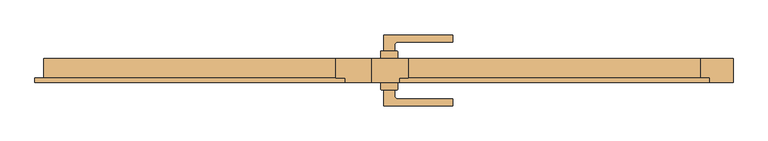
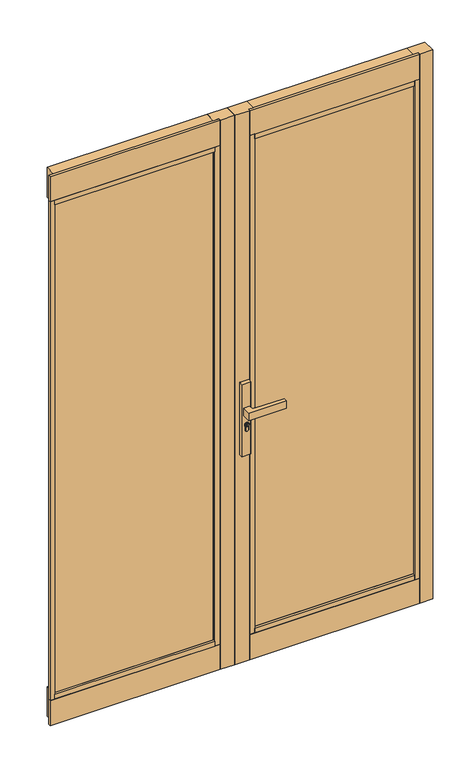
"""IFC4 building model written with IfcOpenShell, lengths in millimetres: door geometry."""

from ifc_helpers import new_model, si_unit, point, frame, frame_2d, origin, place, context, project, spatial, polyline, circle_curve, trimmed, segment, composite_curve, outline, extrude, faceted_brep, source, transform, mapped, element, save


def door_e0ba4964(model_context):
    return source(origin(), model_context, "Body", "SolidModel", [
        extrude(outline(composite_curve([segment(trimmed(circle_curve(frame_2d((945.687184, 35.7946715)), 5.9005564), [point((945.687184, 41.6952279))], [point((945.687184, 29.8941151))], False, "CARTESIAN"), True, "CONTINUOUS"), segment(trimmed(circle_curve(frame_2d((945.687184, 35.7946715)), 5.9005564), [point((945.687184, 29.8941151))], [point((945.687184, 41.6952279))], False, "CARTESIAN"), True, "CONTINUOUS")], self_intersect=False), holes=[polyline([(949.7292167, 34.7306001), (949.7292167, 36.7785396), (948.9292167, 36.7785396), (948.3483344, 35.7306001), (947.1634303, 35.7306001), (946.3431864, 36.550844), (944.6002002, 36.550844), (944.0258593, 35.7306001), (941.7685105, 35.7306001), (941.7685105, 34.7306001), (944.5464263, 34.7306001), (945.1207673, 35.550844), (945.9289729, 35.550844), (946.7492167, 34.7306001), (949.7292167, 34.7306001)])]), frame((0.0, 40.2500427, 0.0), z_axis=(0.0, 1.0, 0.0), x_axis=(0.0, 0.0, 1.0)), (0.0, 0.0, 1.0), 4.423715),
        extrude(outline(composite_curve([segment(trimmed(circle_curve(frame_2d((19.1461528, 39.0000422)), 1.0), [point((18.1461528, 39.0000422))], [point((19.1461528, 40.0000422))], False, "CARTESIAN"), True, "CONTINUOUS"), segment(polyline([(19.1461528, 40.0000422), (52.1461525, 40.0000422)]), True, "CONTINUOUS"), segment(trimmed(circle_curve(frame_2d((52.1461525, 39.0000422)), 1.0), [point((52.1461525, 40.0000422))], [point((53.1461525, 39.0000422))], False, "CARTESIAN"), True, "CONTINUOUS"), segment(polyline([(53.1461525, 39.0000422), (53.1461525, 25.0000426), (18.1461528, 25.0000426), (18.1461528, 39.0000422)]), True, "CONTINUOUS")], self_intersect=False)), frame((0.0, 0.0, 822.4734334), z_axis=(0.0, 0.0, 1.0), x_axis=(1.0, 0.0, 0.0)), (0.0, 0.0, 1.0), 287.6450734),
        extrude(outline(composite_curve([segment(polyline([(18.1461528, -38.9999671), (18.1461528, -24.9999674), (53.1461525, -24.9999674), (53.1461525, -38.9999671)]), True, "CONTINUOUS"), segment(trimmed(circle_curve(frame_2d((52.1461525, -38.9999671)), 1.0), [point((53.1461525, -38.9999671))], [point((52.1461525, -39.9999671))], False, "CARTESIAN"), True, "CONTINUOUS"), segment(polyline([(52.1461525, -39.9999671), (19.1461528, -39.9999671)]), True, "CONTINUOUS"), segment(trimmed(circle_curve(frame_2d((19.1461528, -38.9999671)), 1.0), [point((19.1461528, -39.9999671))], [point((18.1461528, -38.9999671))], False, "CARTESIAN"), True, "CONTINUOUS")], self_intersect=False)), frame((0.0, 0.0, 822.4734334), z_axis=(0.0, 0.0, 1.0), x_axis=(1.0, 0.0, 0.0)), (0.0, 0.0, 1.0), 287.6450734),
        extrude(outline(composite_curve([segment(trimmed(circle_curve(frame_2d((945.687184, 35.7946715)), 8.4005564), [point((939.648662, 41.6346715))], [point((939.2521745, 30.3946715))], False, "CARTESIAN"), True, "CONTINUOUS"), segment(polyline([(939.2521745, 30.3946715), (926.2077404, 30.3946715)]), True, "CONTINUOUS"), segment(trimmed(circle_curve(frame_2d((926.2077404, 36.0146715)), 5.62), [point((926.2077404, 30.3946715))], [point((926.2077404, 41.6346715))], False, "CARTESIAN"), True, "CONTINUOUS"), segment(polyline([(926.2077404, 41.6346715), (939.648662, 41.6346715)]), True, "CONTINUOUS")], self_intersect=False), holes=[composite_curve([segment(trimmed(circle_curve(frame_2d((945.687184, 35.7946715)), 6.4005564), [point((945.687184, 42.1952279))], [point((945.687184, 29.3941151))], True, "CARTESIAN"), True, "CONTINUOUS"), segment(trimmed(circle_curve(frame_2d((945.687184, 35.7946715)), 6.4005564), [point((945.687184, 29.3941151))], [point((945.687184, 42.1952279))], True, "CARTESIAN"), True, "CONTINUOUS")], self_intersect=False)]), frame((0.0, 40.2500427, 0.0), z_axis=(0.0, 1.0, 0.0), x_axis=(0.0, 0.0, 1.0)), (0.0, 0.0, 1.0), 3.0593403),
        extrude(outline(composite_curve([segment(trimmed(circle_curve(frame_2d((945.687184, 35.7946715)), 6.4005564), [point((945.687184, 29.3941151))], [point((945.687184, 42.1952279))], False, "CARTESIAN"), True, "CONTINUOUS"), segment(trimmed(circle_curve(frame_2d((945.687184, 35.7946715)), 6.4005564), [point((945.687184, 42.1952279))], [point((945.687184, 29.3941151))], False, "CARTESIAN"), True, "CONTINUOUS")], self_intersect=False), holes=[composite_curve([segment(trimmed(circle_curve(frame_2d((945.687184, 35.7946715)), 5.9005564), [point((945.687184, 29.8941151))], [point((945.687184, 41.6952279))], True, "CARTESIAN"), True, "CONTINUOUS"), segment(trimmed(circle_curve(frame_2d((945.687184, 35.7946715)), 5.9005564), [point((945.687184, 41.6952279))], [point((945.687184, 29.8941151))], True, "CARTESIAN"), True, "CONTINUOUS")], self_intersect=False)]), frame((0.0, 40.2500427, 0.0), z_axis=(0.0, 1.0, 0.0), x_axis=(0.0, 0.0, 1.0)), (0.0, 0.0, 1.0), 3.0593403),
        extrude(outline(composite_curve([segment(polyline([(939.1595834, 30.1946715), (926.2077404, 30.1946715)]), True, "CONTINUOUS"), segment(trimmed(circle_curve(frame_2d((926.2077404, 36.0146715)), 5.82), [point((926.2077404, 30.1946715))], [point((926.2077404, 41.8346715))], False, "CARTESIAN"), True, "CONTINUOUS"), segment(polyline([(926.2077404, 41.8346715), (939.564442, 41.8346715)]), True, "CONTINUOUS"), segment(trimmed(circle_curve(frame_2d((945.687184, 35.7946715)), 8.6005564), [point((939.564442, 41.8346715))], [point((939.1595834, 30.1946715))], False, "CARTESIAN"), True, "CONTINUOUS")], self_intersect=False), holes=[composite_curve([segment(polyline([(926.2077404, 30.3946715), (939.2521745, 30.3946715)]), True, "CONTINUOUS"), segment(trimmed(circle_curve(frame_2d((945.687184, 35.7946715)), 8.4005564), [point((939.2521745, 30.3946715))], [point((939.648662, 41.6346715))], True, "CARTESIAN"), True, "CONTINUOUS"), segment(polyline([(939.648662, 41.6346715), (926.2077404, 41.6346715)]), True, "CONTINUOUS"), segment(trimmed(circle_curve(frame_2d((926.2077404, 36.0146715)), 5.62), [point((926.2077404, 41.6346715))], [point((926.2077404, 30.3946715))], True, "CARTESIAN"), True, "CONTINUOUS")], self_intersect=False)]), frame((0.0, 40.2500427, 0.0), z_axis=(0.0, 1.0, 0.0), x_axis=(0.0, 0.0, 1.0)), (0.0, 0.0, 1.0), 3.0593403),
        extrude(outline(composite_curve([segment(trimmed(circle_curve(frame_2d((91.646153, -862.7499574)), 939.0), [point((24.6461526, 73.8566836))], [point((166.646158, 73.2500422))], False, "CARTESIAN"), True, "CONTINUOUS"), segment(polyline([(166.646158, 73.2500422), (166.646158, 59.2500412), (54.1506874, 59.2500412)]), True, "CONTINUOUS"), segment(trimmed(circle_curve(frame_2d((54.1461526, 51.7500426)), 7.5), [point((54.1506874, 59.2500412))], [point((46.6461526, 51.7500426))], True, "CARTESIAN"), True, "CONTINUOUS"), segment(polyline([(46.6461526, 51.7500426), (46.6461526, 40.2500427), (24.6461526, 40.2500427), (24.6461526, 73.8566836)]), True, "CONTINUOUS")], self_intersect=False)), frame((0.0, 0.0, 985.1796291), z_axis=(0.0, 0.0, 1.0), x_axis=(1.0, 0.0, 0.0)), (0.0, 0.0, 1.0), 29.6407418),
        extrude(outline(composite_curve([segment(trimmed(circle_curve(frame_2d((945.687184, 35.7946715)), 5.9005564), [point((945.687184, 41.6952279))], [point((945.687184, 29.8941151))], False, "CARTESIAN"), True, "CONTINUOUS"), segment(trimmed(circle_curve(frame_2d((945.687184, 35.7946715)), 5.9005564), [point((945.687184, 29.8941151))], [point((945.687184, 41.6952279))], False, "CARTESIAN"), True, "CONTINUOUS")], self_intersect=False), holes=[polyline([(949.7292167, 34.7306001), (949.7292167, 36.7785396), (948.9292167, 36.7785396), (948.3483344, 35.7306001), (947.1634303, 35.7306001), (946.3431864, 36.550844), (944.6002002, 36.550844), (944.0258593, 35.7306001), (941.7685105, 35.7306001), (941.7685105, 34.7306001), (944.5464263, 34.7306001), (945.1207673, 35.550844), (945.9289729, 35.550844), (946.7492167, 34.7306001), (949.7292167, 34.7306001)])]), frame((0.0, -44.6736826, 0.0), z_axis=(0.0, 1.0, 0.0), x_axis=(0.0, 0.0, 1.0)), (0.0, 0.0, 1.0), 4.423715),
        extrude(outline(composite_curve([segment(trimmed(circle_curve(frame_2d((945.687184, 35.7946715)), 8.4005564), [point((939.648662, 41.6346715))], [point((939.2521745, 30.3946715))], False, "CARTESIAN"), True, "CONTINUOUS"), segment(polyline([(939.2521745, 30.3946715), (926.2077404, 30.3946715)]), True, "CONTINUOUS"), segment(trimmed(circle_curve(frame_2d((926.2077404, 36.0146715)), 5.62), [point((926.2077404, 30.3946715))], [point((926.2077404, 41.6346715))], False, "CARTESIAN"), True, "CONTINUOUS"), segment(polyline([(926.2077404, 41.6346715), (939.648662, 41.6346715)]), True, "CONTINUOUS")], self_intersect=False), holes=[composite_curve([segment(trimmed(circle_curve(frame_2d((945.687184, 35.7946715)), 6.4005564), [point((945.687184, 42.1952279))], [point((945.687184, 29.3941151))], True, "CARTESIAN"), True, "CONTINUOUS"), segment(trimmed(circle_curve(frame_2d((945.687184, 35.7946715)), 6.4005564), [point((945.687184, 29.3941151))], [point((945.687184, 42.1952279))], True, "CARTESIAN"), True, "CONTINUOUS")], self_intersect=False)]), frame((0.0, -43.3093079, 0.0), z_axis=(0.0, 1.0, 0.0), x_axis=(0.0, 0.0, 1.0)), (0.0, 0.0, 1.0), 3.0593403),
        extrude(outline(composite_curve([segment(trimmed(circle_curve(frame_2d((945.687184, 35.7946715)), 6.4005564), [point((945.687184, 29.3941151))], [point((945.687184, 42.1952279))], False, "CARTESIAN"), True, "CONTINUOUS"), segment(trimmed(circle_curve(frame_2d((945.687184, 35.7946715)), 6.4005564), [point((945.687184, 42.1952279))], [point((945.687184, 29.3941151))], False, "CARTESIAN"), True, "CONTINUOUS")], self_intersect=False), holes=[composite_curve([segment(trimmed(circle_curve(frame_2d((945.687184, 35.7946715)), 5.9005564), [point((945.687184, 29.8941151))], [point((945.687184, 41.6952279))], True, "CARTESIAN"), True, "CONTINUOUS"), segment(trimmed(circle_curve(frame_2d((945.687184, 35.7946715)), 5.9005564), [point((945.687184, 41.6952279))], [point((945.687184, 29.8941151))], True, "CARTESIAN"), True, "CONTINUOUS")], self_intersect=False)]), frame((0.0, -43.3093079, 0.0), z_axis=(0.0, 1.0, 0.0), x_axis=(0.0, 0.0, 1.0)), (0.0, 0.0, 1.0), 3.0593403),
        extrude(outline(composite_curve([segment(polyline([(939.1595834, 30.1946715), (926.2077404, 30.1946715)]), True, "CONTINUOUS"), segment(trimmed(circle_curve(frame_2d((926.2077404, 36.0146715)), 5.82), [point((926.2077404, 30.1946715))], [point((926.2077404, 41.8346715))], False, "CARTESIAN"), True, "CONTINUOUS"), segment(polyline([(926.2077404, 41.8346715), (939.564442, 41.8346715)]), True, "CONTINUOUS"), segment(trimmed(circle_curve(frame_2d((945.687184, 35.7946715)), 8.6005564), [point((939.564442, 41.8346715))], [point((939.1595834, 30.1946715))], False, "CARTESIAN"), True, "CONTINUOUS")], self_intersect=False), holes=[composite_curve([segment(polyline([(926.2077404, 30.3946715), (939.2521745, 30.3946715)]), True, "CONTINUOUS"), segment(trimmed(circle_curve(frame_2d((945.687184, 35.7946715)), 8.4005564), [point((939.2521745, 30.3946715))], [point((939.648662, 41.6346715))], True, "CARTESIAN"), True, "CONTINUOUS"), segment(polyline([(939.648662, 41.6346715), (926.2077404, 41.6346715)]), True, "CONTINUOUS"), segment(trimmed(circle_curve(frame_2d((926.2077404, 36.0146715)), 5.62), [point((926.2077404, 41.6346715))], [point((926.2077404, 30.3946715))], True, "CARTESIAN"), True, "CONTINUOUS")], self_intersect=False)]), frame((0.0, -43.3093079, 0.0), z_axis=(0.0, 1.0, 0.0), x_axis=(0.0, 0.0, 1.0)), (0.0, 0.0, 1.0), 3.0593403),
        extrude(outline(composite_curve([segment(polyline([(24.6461526, -73.8566084), (24.6461526, -40.2499676), (46.6461526, -40.2499676), (46.6461526, -51.7499674)]), True, "CONTINUOUS"), segment(trimmed(circle_curve(frame_2d((54.1461526, -51.7499674)), 7.5), [point((46.6461526, -51.7499674))], [point((54.1506874, -59.2499661))], True, "CARTESIAN"), True, "CONTINUOUS"), segment(polyline([(54.1506874, -59.2499661), (166.646158, -59.2499661), (166.646158, -73.249967)]), True, "CONTINUOUS"), segment(trimmed(circle_curve(frame_2d((91.646153, 862.7500326)), 939.0), [point((166.646158, -73.249967))], [point((24.6461526, -73.8566084))], False, "CARTESIAN"), True, "CONTINUOUS")], self_intersect=False)), frame((0.0, 0.0, 985.1796291), z_axis=(0.0, 0.0, 1.0), x_axis=(1.0, 0.0, 0.0)), (0.0, 0.0, 1.0), 29.6407418),
        faceted_brep([(56.0654397, -16.0045752, 90.7821405), (56.0654397, -16.0045752, -9.2178595), (56.0654397, -24.9999674, -9.2178595), (56.0654397, -24.9999674, 90.7821405), (698.0000593, -16.0045752, 90.7821405), (698.0000593, -24.9999674, 90.7821405), (698.0000593, -24.9999674, -9.2178595), (698.0000593, -16.0045752, -9.2178595), (679.0000593, -16.0045752, -9.2178595), (679.0000593, -16.0045752, 90.7821405), (75.0, -16.0045752, 90.7821405), (75.0, -16.0045752, -9.2178595), (75.0, 25.0000426, 109.8321405), (75.0, 25.0000426, -9.2178595), (75.0, -16.0045752, 109.8321405), (679.0000593, 25.0000426, 109.8321405), (679.0000593, -16.0045752, 109.8321405), (679.0000593, 25.0000426, -9.2178595)], [[[0, 1, 2, 3]], [[4, 5, 6, 7]], [[7, 8, 9, 4]], [[0, 10, 11, 1]], [[3, 5, 4, 9, 10, 0]], [[2, 6, 5, 3]], [[12, 13, 11, 10, 14]], [[15, 16, 9, 8, 17]], [[12, 15, 17, 13]], [[14, 16, 15, 12]], [[14, 10, 9, 16]], [[13, 17, 8, 7, 6, 2, 1, 11]]]),
        extrude(outline(polyline([(0.0, 25.0000426), (75.0, 25.0000426), (75.0, -16.0045752), (56.0654397, -16.0045752), (56.0654397, -24.9999674), (0.0, -24.9999674), (0.0, 25.0000426)])), frame((0.0, 0.0, -9.2178595), z_axis=(0.0, 0.0, 1.0), x_axis=(1.0, 0.0, 0.0)), (0.0, 0.0, 1.0), 2191.307766),
        extrude(outline(polyline([(0.0, 25.0000326), (0.0, -24.9999674), (-55.0, -24.9999674), (-55.0, -16.0045752), (-75.000002, -16.0045752), (-75.000002, 25.0000326), (0.0, 25.0000326)])), frame((0.0, 0.0, -9.2178595), z_axis=(0.0, 0.0, 1.0), x_axis=(1.0, 0.0, 0.0)), (0.0, 0.0, 1.0), 2191.307766),
        extrude(outline(polyline([(-75.0, -16.0045752), (-678.8000837, -16.0045752), (-678.8000837, 4.9954248), (-75.0, 4.9954248), (-75.0, -16.0045752)])), frame((0.0, 0.0, 109.8321405), z_axis=(0.0, 0.0, 1.0), x_axis=(1.0, 0.0, 0.0)), (0.0, 0.0, 1.0), 1953.2077639),
        extrude(outline(polyline([(-55.0, -24.9999674), (-697.1752952, -24.9999674), (-697.1752952, -16.0045752), (-55.0, -16.0045752), (-55.0, -24.9999674)])), frame((0.0, 0.0, 2082.0399064), z_axis=(0.0, 0.0, 1.0), x_axis=(1.0, 0.0, 0.0)), (0.0, 0.0, 1.0), 100.05),
        extrude(outline(polyline([(-75.000002, -16.0045752), (-678.9042577, -16.0045752), (-678.9042577, 25.0000651), (-75.000002, 25.0000651), (-75.000002, -16.0045752)])), frame((0.0, 0.0, 2063.0399064), z_axis=(0.0, 0.0, 1.0), x_axis=(1.0, 0.0, 0.0)), (0.0, 0.0, 1.0), 119.05),
        extrude(outline(polyline([(-75.000002, -16.0045752), (-678.8000837, -16.0045752), (-678.8000837, 25.0000651), (-75.000002, 25.0000651), (-75.000002, -16.0045752)])), frame((0.0, 0.0, -9.2178595), z_axis=(0.0, 0.0, 1.0), x_axis=(1.0, 0.0, 0.0)), (0.0, 0.0, 1.0), 119.05),
        extrude(outline(polyline([(-75.000002, -24.9999674), (-678.8000837, -24.9999674), (-678.8000837, -16.0045752), (-75.000002, -16.0045752), (-75.000002, -24.9999674)])), frame((0.0, 0.0, 2063.0399064), z_axis=(0.0, 0.0, 1.0), x_axis=(1.0, 0.0, 0.0)), (0.0, 0.0, 1.0), 19.0),
        extrude(outline(polyline([(-75.000002, -24.9999674), (-678.8000837, -24.9999674), (-678.8000837, -16.0045752), (-75.000002, -16.0045752), (-75.000002, -24.9999674)])), frame((0.0, 0.0, 90.7821405), z_axis=(0.0, 0.0, 1.0), x_axis=(1.0, 0.0, 0.0)), (0.0, 0.0, 1.0), 19.05),
        extrude(outline(polyline([(-55.0, -24.9999674), (-697.1752952, -24.9999674), (-697.1752952, -16.0045752), (-55.0, -16.0045752), (-55.0, -24.9999674)])), frame((0.0, 0.0, -9.2178595), z_axis=(0.0, 0.0, 1.0), x_axis=(1.0, 0.0, 0.0)), (0.0, 0.0, 1.0), 100.0),
        extrude(outline(polyline([(-75.000002, -16.0045752), (-55.0, -16.0045752), (-55.0, -24.9999674), (-75.000002, -24.9999674), (-75.000002, -16.0045752)])), frame((0.0, 0.0, 90.7821405), z_axis=(0.0, 0.0, 1.0), x_axis=(1.0, 0.0, 0.0)), (0.0, 0.0, 1.0), 1991.257766),
        extrude(outline(polyline([(75.047959, -16.0045752), (75.047959, -24.9999674), (56.1133987, -24.9999674), (56.1133987, -16.0045752), (75.047959, -16.0045752)])), frame((0.0, 0.0, 90.7821405), z_axis=(0.0, 0.0, 1.0), x_axis=(1.0, 0.0, 0.0)), (0.0, 0.0, 1.0), 1991.257766),
        extrude(outline(polyline([(75.0, -16.0045752), (75.0, 4.9954248), (679.0000593, 4.9954248), (679.0000593, -16.0045752), (75.0, -16.0045752)])), frame((0.0, 0.0, 109.8321405), z_axis=(0.0, 0.0, 1.0), x_axis=(1.0, 0.0, 0.0)), (0.0, 0.0, 1.0), 1953.2077639),
        extrude(outline(polyline([(679.0000593, -16.0045752), (698.0000593, -16.0045752), (698.0000593, -24.9999674), (679.0000593, -24.9999674), (679.0000593, -16.0045752)])), frame((0.0, 0.0, 90.7821405), z_axis=(0.0, 0.0, 1.0), x_axis=(1.0, 0.0, 0.0)), (0.0, 0.0, 1.0), 1991.257766),
        extrude(outline(polyline([(56.0654397, -16.0045752), (698.0000593, -16.0045752), (698.0000593, -24.9999674), (56.0654397, -24.9999674), (56.0654397, -16.0045752)])), frame((0.0, 0.0, 2082.0399064), z_axis=(0.0, 0.0, 1.0), x_axis=(1.0, 0.0, 0.0)), (0.0, 0.0, 1.0), 100.05),
        extrude(outline(polyline([(75.0, 25.0000651), (678.8000837, 25.0000651), (678.8000837, -16.0045752), (75.0, -16.0045752), (75.0, 25.0000651)])), frame((0.0, 0.0, 2063.0399064), z_axis=(0.0, 0.0, 1.0), x_axis=(1.0, 0.0, 0.0)), (0.0, 0.0, 1.0), 119.05),
        extrude(outline(polyline([(75.0, -16.0045752), (678.8000837, -16.0045752), (678.8000837, -24.9999674), (75.0, -24.9999674), (75.0, -16.0045752)])), frame((0.0, 0.0, 2063.0399064), z_axis=(0.0, 0.0, 1.0), x_axis=(1.0, 0.0, 0.0)), (0.0, 0.0, 1.0), 19.0),
        extrude(outline(polyline([(75.0, -16.0045752), (679.0000593, -16.0045752), (679.0000593, -24.9999674), (75.0, -24.9999674), (75.0, -16.0045752)])), frame((0.0, 0.0, 90.7821405), z_axis=(0.0, 0.0, 1.0), x_axis=(1.0, 0.0, 0.0)), (0.0, 0.0, 1.0), 19.05),
        extrude(outline(polyline([(-678.8000837, -16.0045752), (-678.8000837, -24.9999674), (-697.1752952, -24.9999674), (-697.1752952, -16.0045752), (-678.8000837, -16.0045752)])), frame((0.0, 0.0, 90.7821405), z_axis=(0.0, 0.0, 1.0), x_axis=(1.0, 0.0, 0.0)), (0.0, 0.0, 1.0), 1991.257766),
        extrude(outline(polyline([(679.0000593, 25.0000651), (747.0000593, 25.0000651), (747.0000593, -24.9999674), (698.0000593, -24.9999674), (698.0000593, -16.0045752), (679.0000593, -16.0045752), (679.0000593, 25.0000651)])), frame((0.0, 0.0, -9.2178595), z_axis=(0.0, 0.0, 1.0), x_axis=(1.0, 0.0, 0.0)), (0.0, 0.0, 1.0), 2191.307766),
    ])


if __name__ == "__main__":
    model = new_model("IFC4")
    model_context = context("Model", 3, world=origin())
    ifc_project = project(units=[si_unit("LENGTHUNIT", "METRE", prefix="MILLI")], contexts=[model_context])
    site = spatial("IfcSite", under=ifc_project)
    building = spatial("IfcBuilding", under=site)
    placement = place(None, origin())
    door_shape = door_e0ba4964(model_context)
    element("IfcDoor", 1, at=placement, inside=building, context=model_context, shape_type="MappedRepresentation", body=[
        mapped(door_shape, transform((0.0, 0.0, 0.0), x_axis=(1.0, 0.0, 0.0), y_axis=(0.0, 1.0, 0.0), z_axis=(0.0, 0.0, 1.0))),
    ])
    save(model, "model.ifc")
